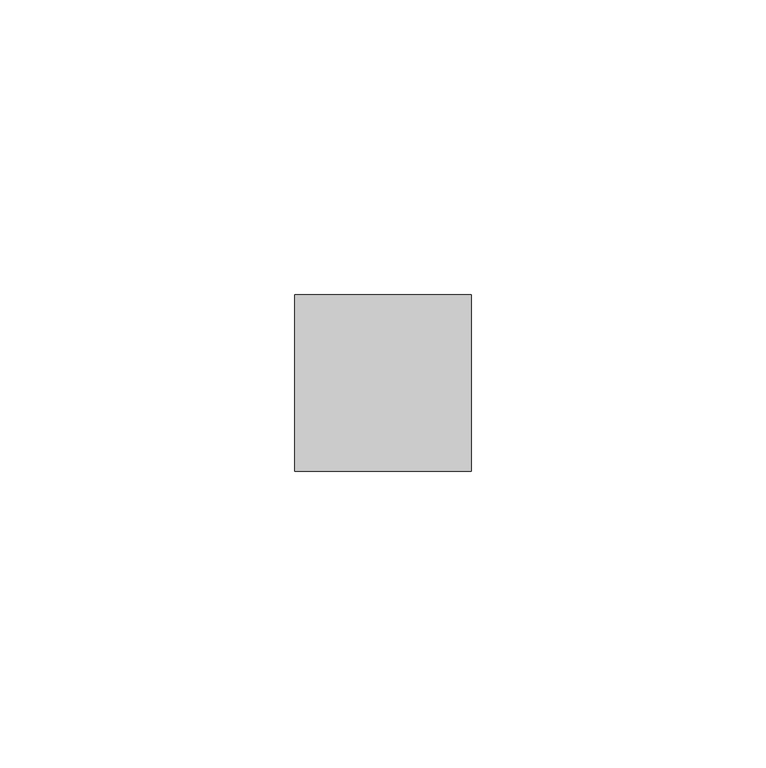
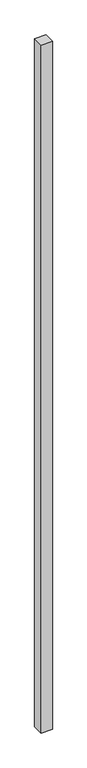
"""IFC4 building model written with IfcOpenShell, lengths in millimetres: member geometry."""

from ifc_helpers import new_model, si_unit, frame, origin, place, context, project, spatial, polyline, outline, extrude, source, transform, mapped, element, save


def member_c2810827(model_context):
    return source(origin(), model_context, "Body", "SweptSolid", [
        extrude(outline(polyline([(15.0, 15.0), (15.0, -15.0), (-15.0, -15.0), (-15.0, 15.0), (15.0, 15.0)])), frame((0.0, 0.0, -1950.0), z_axis=(0.0, 0.0, 1.0), x_axis=(1.0, 0.0, 0.0)), (0.0, 0.0, 1.0), 1950.0),
    ])


if __name__ == "__main__":
    model = new_model("IFC4")
    model_context = context("Model", 3, world=origin())
    ifc_project = project(units=[si_unit("LENGTHUNIT", "METRE", prefix="MILLI")], contexts=[model_context])
    site = spatial("IfcSite", under=ifc_project)
    building = spatial("IfcBuilding", under=site)
    placement = place(None, origin())
    member_shape = member_c2810827(model_context)
    element("IfcMember", 1, at=placement, inside=building, context=model_context, shape_type="MappedRepresentation", body=[
        mapped(member_shape, transform((0.0, 0.0, 0.0), x_axis=(1.0, 0.0, 0.0), y_axis=(0.0, 1.0, 0.0), z_axis=(0.0, 0.0, 1.0))),
    ])
    save(model, "model.ifc")
